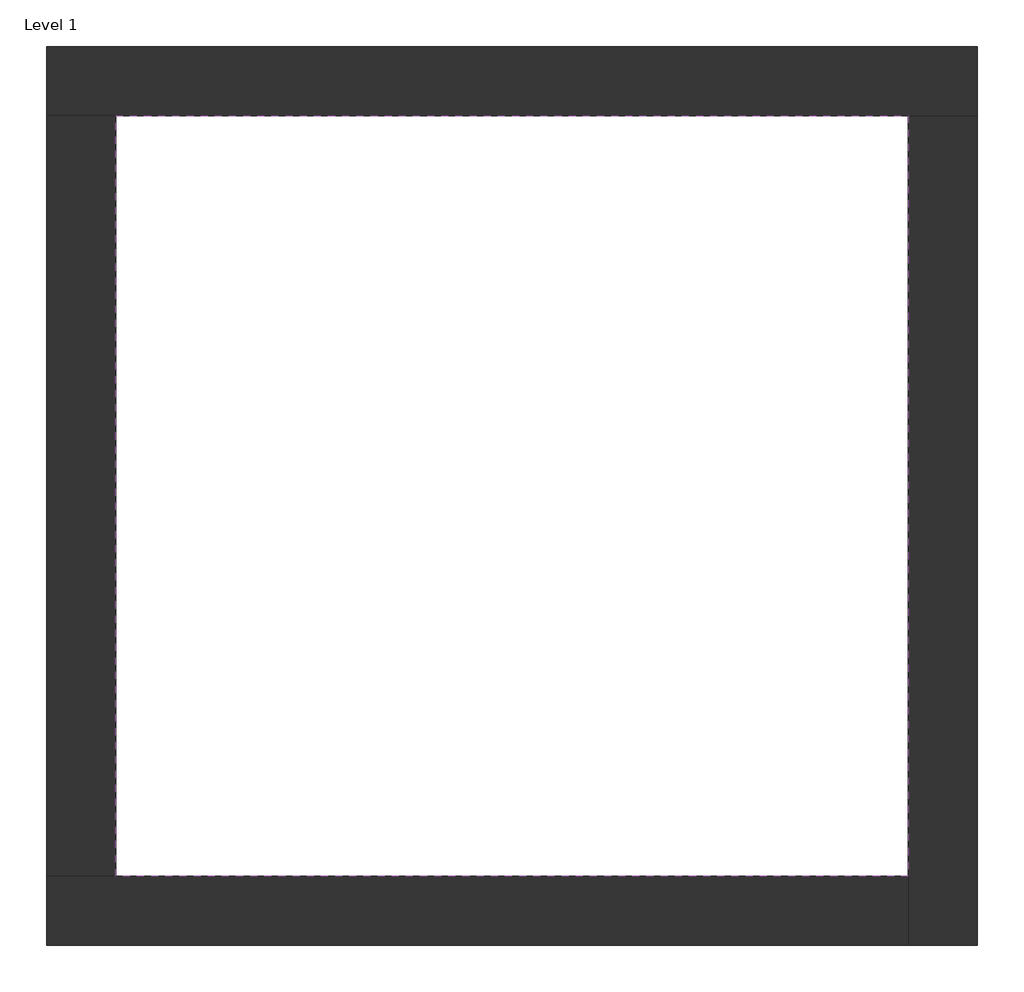
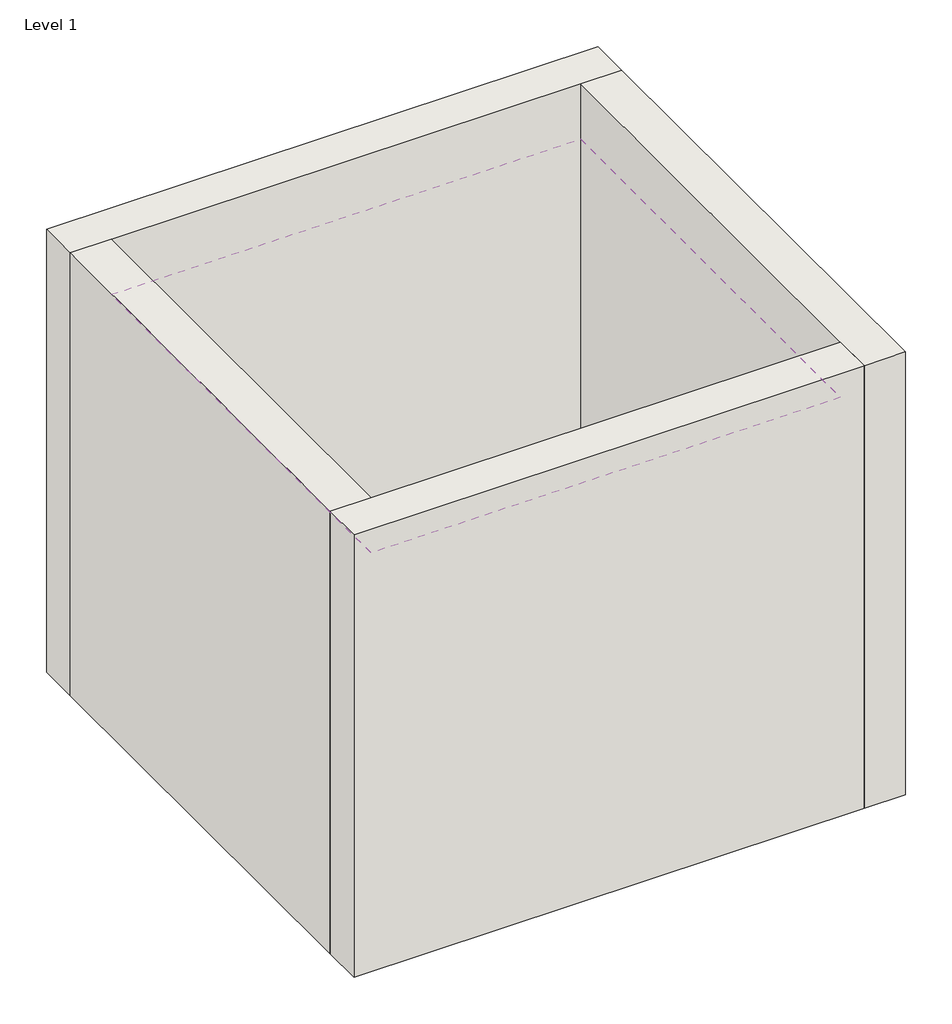
# One storey: 4 walls, 1 covering.
"""IFC4 building model written with IfcOpenShell, lengths in millimetres."""

import ifcopenshell
import ifcopenshell.guid

model = None  # the IFC model being written
_history = None  # IfcOwnerHistory: only IFC2X3 demands one
_inside = {}  # id of a spatial element -> (the spatial element, [elements in it])
_under = {}  # id of a project, library or spatial element -> (it, [spatial elements below it])
_declared = {}  # id of a project -> (the project, [libraries it declares])
_typed = {}  # id of a type object -> (the type object, [elements of that type])
_made_of = {}  # id of a material, layer set ... -> (it, [elements and type objects made of it])


def new_model(schema):
    """Start an empty IFC model of exactly this schema.

    Asked for "IFC4X3", IfcOpenShell would pick the latest addendum, in which some entities
    have other attributes; the version numbers below select the first issue.
    IFC2X3 requires an IfcOwnerHistory on every rooted entity: one is made here for all.
    """
    global model, _history
    if schema == "IFC4X3":
        model = ifcopenshell.file(schema_version=(4, 3, 0, 0))
    else:
        model = ifcopenshell.file(schema=schema)
    _inside.clear()
    _under.clear()
    _declared.clear()
    _typed.clear()
    _made_of.clear()
    _history = None
    if model.schema == "IFC2X3":
        org = make("IfcOrganization", Name="unknown")
        user = make(
            "IfcPersonAndOrganization",
            ThePerson=make("IfcPerson", FamilyName="unknown"),
            TheOrganization=org,
        )
        app = make(
            "IfcApplication",
            ApplicationDeveloper=org,
            Version="unknown",
            ApplicationFullName="unknown",
            ApplicationIdentifier="unknown",
        )
        _history = make(
            "IfcOwnerHistory",
            OwningUser=user,
            OwningApplication=app,
            ChangeAction="ADDED",
            CreationDate=0,
        )
    return model


def make(cls, **values):
    """One entity of the class cls with the attributes given. An attribute that is None is left unset."""
    return model.create_entity(
        cls, **{name: value for name, value in values.items() if value is not None}
    )


def rooted(cls, **values):
    """An entity with a GlobalId (a new one), such as an element, a storey or a relation."""
    return make(cls, GlobalId=ifcopenshell.guid.new(), OwnerHistory=_history, **values)


def si_unit(unit_type, name, prefix=None):
    """IfcSIUnit, for example si_unit("LENGTHUNIT", "METRE", prefix="MILLI")."""
    return make("IfcSIUnit", UnitType=unit_type, Prefix=prefix, Name=name)


def assignment(units):
    """IfcUnitAssignment: the units of a project."""
    return None if units is None else make("IfcUnitAssignment", Units=units)


def point(xyz):
    """IfcCartesianPoint."""
    return None if xyz is None else make("IfcCartesianPoint", Coordinates=xyz)


def direction(xyz):
    """IfcDirection."""
    return None if xyz is None else make("IfcDirection", DirectionRatios=xyz)


def frame(location, z_axis=None, x_axis=None):
    """IfcAxis2Placement3D, a coordinate frame: its origin and axes. An axis left out is left unset."""
    return make(
        "IfcAxis2Placement3D",
        Location=point(location),
        Axis=direction(z_axis),
        RefDirection=direction(x_axis),
    )


def origin():
    """The frame at (0, 0, 0) with its axes left unset."""
    return frame((0.0, 0.0, 0.0))


def origin_with_axes():
    """The frame at (0, 0, 0) with the z axis (0, 0, 1) and the x axis (1, 0, 0) written out."""
    return frame((0.0, 0.0, 0.0), z_axis=(0.0, 0.0, 1.0), x_axis=(1.0, 0.0, 0.0))


def place(relative_to, where):
    """IfcLocalPlacement: puts the frame where relative to a parent placement (None: the world)."""
    return make(
        "IfcLocalPlacement", PlacementRelTo=relative_to, RelativePlacement=where
    )


def context(
    kind, dimensions, precision=None, world=None, true_north=None, identifier=None
):
    """IfcGeometricRepresentationContext, for example the 3D "Model" context."""
    return make(
        "IfcGeometricRepresentationContext",
        ContextIdentifier=identifier,
        ContextType=kind,
        CoordinateSpaceDimension=dimensions,
        Precision=precision,
        WorldCoordinateSystem=world,
        TrueNorth=true_north,
    )


def project(units=None, contexts=None):
    """IfcProject with its units and contexts."""
    return rooted(
        "IfcProject",
        Name="project",
        RepresentationContexts=contexts,
        UnitsInContext=assignment(units),
    )


def spatial(cls, under=None, at=None, **own):
    """A site, building, storey or space (cls), placed at a placement, below another one or the project."""
    s = rooted(cls, ObjectPlacement=at, **own)
    if under is not None:
        _under.setdefault(under.id(), (under, []))[1].append(s)
    return s


def polyline(points):
    """IfcPolyline through the points."""
    return make("IfcPolyline", Points=[point(p) for p in points])


def outline(outer, holes=None, kind="AREA"):
    """IfcArbitraryClosedProfileDef: a profile drawn as a closed curve; with holes, ...WithVoids."""
    if holes is None:
        return make("IfcArbitraryClosedProfileDef", ProfileType=kind, OuterCurve=outer)
    return make(
        "IfcArbitraryProfileDefWithVoids",
        ProfileType=kind,
        OuterCurve=outer,
        InnerCurves=holes,
    )


def extrude(swept, where, along, depth):
    """IfcExtrudedAreaSolid: the profile swept, set in the frame where, extruded along a direction by depth."""
    return make(
        "IfcExtrudedAreaSolid",
        SweptArea=swept,
        Position=where,
        ExtrudedDirection=direction(along),
        Depth=depth,
    )


def faces_of(points, faces, orient=None, outer=None):
    """IfcFace entities. A face is a list of loops; a loop is a list of indices into points, from 0.

    orient and outer hold one flag for each loop. By default every Orientation is true, the
    first loop of a face is its IfcFaceOuterBound and the others are IfcFaceBound.
    """
    made = []
    for i, loops in enumerate(faces):
        bounds = []
        for j, loop in enumerate(loops):
            is_outer = j == 0 if outer is None else outer[i][j]
            bounds.append(
                make(
                    "IfcFaceOuterBound" if is_outer else "IfcFaceBound",
                    Bound=make("IfcPolyLoop", Polygon=[points[k] for k in loop]),
                    Orientation=True if orient is None else orient[i][j],
                )
            )
        made.append(make("IfcFace", Bounds=bounds))
    return made


def faceted_brep(points, faces, orient=None, outer=None, voids=None):
    """IfcFacetedBrep: a solid bounded by flat faces; with voids (closed shells), ...WithVoids."""
    shared = [point(p) for p in points]
    hull = make("IfcClosedShell", CfsFaces=faces_of(shared, faces, orient, outer))
    if voids is None:
        return make("IfcFacetedBrep", Outer=hull)
    return make(
        "IfcFacetedBrepWithVoids",
        Outer=hull,
        Voids=[
            make(cls, CfsFaces=faces_of(shared, fs, o, b)) for cls, fs, o, b in voids
        ],
    )


def shape(context_of_items, identifier, shape_type, items):
    """IfcShapeRepresentation: the items that make up one representation, for example the "Body"."""
    return make(
        "IfcShapeRepresentation",
        ContextOfItems=context_of_items,
        RepresentationIdentifier=identifier,
        RepresentationType=shape_type,
        Items=items,
    )


def made_of(thing, what):
    """Note that an element or type object is made of a material, layer set ...; save() writes the relation."""
    if what is not None:
        _made_of.setdefault(what.id(), (what, []))[1].append(thing)
    return thing


def element(
    cls,
    number,
    at=None,
    inside=None,
    cuts=None,
    type_object=None,
    material=None,
    context=None,
    identifier="Body",
    shape_type=None,
    held_by="IfcProductDefinitionShape",
    body=None,
    shapes=None,
    **own,
):
    """One element of the class cls, such as IfcWall. Its Tag is "e" and its number.

    at: its placement. inside: the storey or other place that contains it. cuts: it is an
    opening in that element (IfcRelVoidsElement). A single representation is given by context,
    identifier, shape_type and body (its items); several are given by shapes. held_by: the class
    of the entity that holds the representations. save() writes the other relations.
    """
    e = rooted(cls, Tag="e%d" % number, ObjectPlacement=at, **own)
    if body is not None:
        shapes = [shape(context, identifier, shape_type, body)]
    if shapes is not None:
        e.Representation = make(held_by, Representations=shapes)
    if inside is not None:
        _inside.setdefault(inside.id(), (inside, []))[1].append(e)
    if cuts is not None:
        rooted(
            "IfcRelVoidsElement", RelatingBuildingElement=cuts, RelatedOpeningElement=e
        )
    if type_object is not None:
        _typed.setdefault(type_object.id(), (type_object, []))[1].append(e)
    return made_of(e, material)


def aggregate(whole, parts):
    """IfcRelAggregates: a whole, such as a stair, and the parts it consists of."""
    return rooted("IfcRelAggregates", RelatingObject=whole, RelatedObjects=parts)


def save(model, path):
    """Write the relations noted so far, then the file.

    IfcRelAggregates (storeys below a building ...), IfcRelContainedInSpatialStructure (elements
    in a storey), IfcRelDefinesByType, IfcRelAssociatesMaterial and IfcRelDeclares: one each for
    every whole, place, type object, material and project.
    """
    for whole, parts in _under.values():
        aggregate(whole, parts)
    for where, things in _inside.values():
        rooted(
            "IfcRelContainedInSpatialStructure",
            RelatedElements=things,
            RelatingStructure=where,
        )
    for kind, things in _typed.values():
        rooted("IfcRelDefinesByType", RelatedObjects=things, RelatingType=kind)
    for what, things in _made_of.values():
        rooted("IfcRelAssociatesMaterial", RelatedObjects=things, RelatingMaterial=what)
    for by, libraries in _declared.values():
        rooted("IfcRelDeclares", RelatingContext=by, RelatedDefinitions=libraries)
    model.write(path)


model = new_model("IFC4")

# Units and contexts
model_context = context("Model", 3, world=origin())
ifc_project = project(units=[si_unit("LENGTHUNIT", "METRE", prefix="MILLI")], contexts=[model_context])

# Site, building, storey
site = spatial("IfcSite", under=ifc_project)
building = spatial("IfcBuilding", under=site)
storey = spatial("IfcBuildingStorey", under=building, Name="Level 1", Elevation=0.0)

# Covering
placement = place(None, origin())
element("IfcCovering", 1, at=placement, inside=storey, context=model_context, shape_type="SweptSolid", body=[
    extrude(outline(polyline([(-14894.8573003, 6921.2750283), (-10882.3573003, 6921.2750283), (-10882.3573003, 3071.2750283), (-14894.8573003, 3071.2750283), (-14894.8573003, 6921.2750283)])), frame((0.0, 0.0, 3500.0), z_axis=(0.0, 0.0, 1.0), x_axis=(1.0, 0.0, 0.0)), (0.0, 0.0, 1.0), 314.2),
])

# Walls
element("IfcWall", 2, ObjectType="Exterior - Brick on Mtl. Stud", at=placement, inside=storey, context=model_context, shape_type="Brep", body=[
    faceted_brep([(-15244.8573003, 6921.2750283, 0.0), (-14894.8573003, 6921.2750283, 0.0), (-10882.3573003, 6921.2750283, 0.0), (-10532.3573003, 6921.2750283, 0.0), (-10532.3573003, 6921.2750283, 4000.0), (-10882.3573003, 6921.2750283, 4000.0), (-14894.8573003, 6921.2750283, 4000.0), (-15244.8573003, 6921.2750283, 4000.0), (-15244.8573003, 7271.2750283, 0.0), (-15244.8573003, 7271.2750283, 4000.0), (-10532.3573003, 7271.2750283, 4000.0), (-10532.3573003, 7271.2750283, 0.0)], [[[0, 1, 2, 3, 4, 5, 6, 7]], [[8, 9, 10, 11]], [[3, 2, 1, 0, 8, 11]], [[7, 6, 5, 4, 10, 9]], [[0, 7, 9, 8]], [[4, 3, 11, 10]]]),
])
element("IfcWall", 3, ObjectType="Exterior - Brick on Mtl. Stud", at=placement, inside=storey, context=model_context, shape_type="Brep", body=[
    faceted_brep([(-10882.3573003, 6921.2750283, 0.0), (-10882.3573003, 3071.2750283, 0.0), (-10882.3573003, 2721.2750283, 0.0), (-10882.3573003, 2721.2750283, 4000.0), (-10882.3573003, 3071.2750283, 4000.0), (-10882.3573003, 6921.2750283, 4000.0), (-10532.3573003, 6921.2750283, 0.0), (-10532.3573003, 6921.2750283, 4000.0), (-10532.3573003, 2721.2750283, 4000.0), (-10532.3573003, 2721.2750283, 0.0)], [[[0, 1, 2, 3, 4, 5]], [[6, 7, 8, 9]], [[2, 1, 0, 6, 9]], [[5, 4, 3, 8, 7]], [[3, 2, 9, 8]], [[0, 5, 7, 6]]]),
])
element("IfcWall", 4, ObjectType="Exterior - Brick on Mtl. Stud", at=placement, inside=storey, context=model_context, shape_type="Brep", body=[
    faceted_brep([(-10882.3573003, 3071.2750283, 0.0), (-14894.8573003, 3071.2750283, 0.0), (-15244.8573003, 3071.2750283, 0.0), (-15244.8573003, 3071.2750283, 4000.0), (-14894.8573003, 3071.2750283, 4000.0), (-10882.3573003, 3071.2750283, 4000.0), (-10882.3573003, 2721.2750283, 0.0), (-10882.3573003, 2721.2750283, 4000.0), (-15244.8573003, 2721.2750283, 4000.0), (-15244.8573003, 2721.2750283, 0.0)], [[[0, 1, 2, 3, 4, 5]], [[6, 7, 8, 9]], [[2, 1, 0, 6, 9]], [[5, 4, 3, 8, 7]], [[3, 2, 9, 8]], [[0, 5, 7, 6]]]),
])
element("IfcWall", 5, ObjectType="Exterior - Brick on Mtl. Stud", at=placement, inside=storey, context=model_context, shape_type="SweptSolid", body=[
    extrude(outline(polyline([(-14894.8573003, 6921.2750283), (-14894.8573003, 3071.2750283), (-15244.8573003, 3071.2750283), (-15244.8573003, 6921.2750283), (-14894.8573003, 6921.2750283)])), origin_with_axes(), (0.0, 0.0, 1.0), 4000.0),
])

save(model, "model.ifc")
